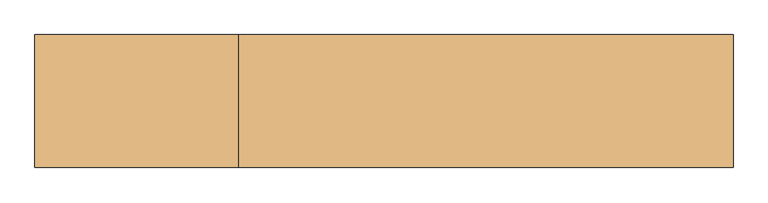
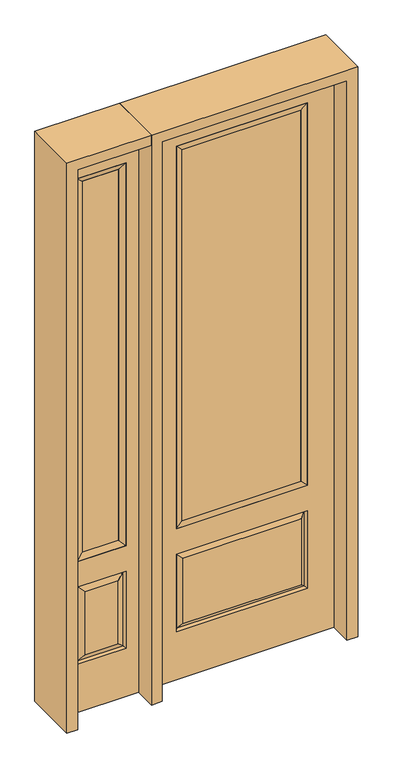
"""IFC4 building model written with IfcOpenShell, lengths in millimetres: door geometry."""

import ifcopenshell
import ifcopenshell.guid

model = None  # the IFC model being written
_history = None  # IfcOwnerHistory: only IFC2X3 demands one
_inside = {}  # id of a spatial element -> (the spatial element, [elements in it])
_under = {}  # id of a project, library or spatial element -> (it, [spatial elements below it])
_declared = {}  # id of a project -> (the project, [libraries it declares])
_typed = {}  # id of a type object -> (the type object, [elements of that type])
_made_of = {}  # id of a material, layer set ... -> (it, [elements and type objects made of it])


def new_model(schema):
    """Start an empty IFC model of exactly this schema.

    Asked for "IFC4X3", IfcOpenShell would pick the latest addendum, in which some entities
    have other attributes; the version numbers below select the first issue.
    IFC2X3 requires an IfcOwnerHistory on every rooted entity: one is made here for all.
    """
    global model, _history
    if schema == "IFC4X3":
        model = ifcopenshell.file(schema_version=(4, 3, 0, 0))
    else:
        model = ifcopenshell.file(schema=schema)
    _inside.clear()
    _under.clear()
    _declared.clear()
    _typed.clear()
    _made_of.clear()
    _history = None
    if model.schema == "IFC2X3":
        org = make("IfcOrganization", Name="unknown")
        user = make(
            "IfcPersonAndOrganization",
            ThePerson=make("IfcPerson", FamilyName="unknown"),
            TheOrganization=org,
        )
        app = make(
            "IfcApplication",
            ApplicationDeveloper=org,
            Version="unknown",
            ApplicationFullName="unknown",
            ApplicationIdentifier="unknown",
        )
        _history = make(
            "IfcOwnerHistory",
            OwningUser=user,
            OwningApplication=app,
            ChangeAction="ADDED",
            CreationDate=0,
        )
    return model


def make(cls, **values):
    """One entity of the class cls with the attributes given. An attribute that is None is left unset."""
    return model.create_entity(
        cls, **{name: value for name, value in values.items() if value is not None}
    )


def rooted(cls, **values):
    """An entity with a GlobalId (a new one), such as an element, a storey or a relation."""
    return make(cls, GlobalId=ifcopenshell.guid.new(), OwnerHistory=_history, **values)


def si_unit(unit_type, name, prefix=None):
    """IfcSIUnit, for example si_unit("LENGTHUNIT", "METRE", prefix="MILLI")."""
    return make("IfcSIUnit", UnitType=unit_type, Prefix=prefix, Name=name)


def assignment(units):
    """IfcUnitAssignment: the units of a project."""
    return None if units is None else make("IfcUnitAssignment", Units=units)


def point(xyz):
    """IfcCartesianPoint."""
    return None if xyz is None else make("IfcCartesianPoint", Coordinates=xyz)


def direction(xyz):
    """IfcDirection."""
    return None if xyz is None else make("IfcDirection", DirectionRatios=xyz)


def frame(location, z_axis=None, x_axis=None):
    """IfcAxis2Placement3D, a coordinate frame: its origin and axes. An axis left out is left unset."""
    return make(
        "IfcAxis2Placement3D",
        Location=point(location),
        Axis=direction(z_axis),
        RefDirection=direction(x_axis),
    )


def origin():
    """The frame at (0, 0, 0) with its axes left unset."""
    return frame((0.0, 0.0, 0.0))


def place(relative_to, where):
    """IfcLocalPlacement: puts the frame where relative to a parent placement (None: the world)."""
    return make(
        "IfcLocalPlacement", PlacementRelTo=relative_to, RelativePlacement=where
    )


def context(
    kind, dimensions, precision=None, world=None, true_north=None, identifier=None
):
    """IfcGeometricRepresentationContext, for example the 3D "Model" context."""
    return make(
        "IfcGeometricRepresentationContext",
        ContextIdentifier=identifier,
        ContextType=kind,
        CoordinateSpaceDimension=dimensions,
        Precision=precision,
        WorldCoordinateSystem=world,
        TrueNorth=true_north,
    )


def project(units=None, contexts=None):
    """IfcProject with its units and contexts."""
    return rooted(
        "IfcProject",
        Name="project",
        RepresentationContexts=contexts,
        UnitsInContext=assignment(units),
    )


def spatial(cls, under=None, at=None, **own):
    """A site, building, storey or space (cls), placed at a placement, below another one or the project."""
    s = rooted(cls, ObjectPlacement=at, **own)
    if under is not None:
        _under.setdefault(under.id(), (under, []))[1].append(s)
    return s


def polyline(points):
    """IfcPolyline through the points."""
    return make("IfcPolyline", Points=[point(p) for p in points])


def outline(outer, holes=None, kind="AREA"):
    """IfcArbitraryClosedProfileDef: a profile drawn as a closed curve; with holes, ...WithVoids."""
    if holes is None:
        return make("IfcArbitraryClosedProfileDef", ProfileType=kind, OuterCurve=outer)
    return make(
        "IfcArbitraryProfileDefWithVoids",
        ProfileType=kind,
        OuterCurve=outer,
        InnerCurves=holes,
    )


def extrude(swept, where, along, depth):
    """IfcExtrudedAreaSolid: the profile swept, set in the frame where, extruded along a direction by depth."""
    return make(
        "IfcExtrudedAreaSolid",
        SweptArea=swept,
        Position=where,
        ExtrudedDirection=direction(along),
        Depth=depth,
    )


def faces_of(points, faces, orient=None, outer=None):
    """IfcFace entities. A face is a list of loops; a loop is a list of indices into points, from 0.

    orient and outer hold one flag for each loop. By default every Orientation is true, the
    first loop of a face is its IfcFaceOuterBound and the others are IfcFaceBound.
    """
    made = []
    for i, loops in enumerate(faces):
        bounds = []
        for j, loop in enumerate(loops):
            is_outer = j == 0 if outer is None else outer[i][j]
            bounds.append(
                make(
                    "IfcFaceOuterBound" if is_outer else "IfcFaceBound",
                    Bound=make("IfcPolyLoop", Polygon=[points[k] for k in loop]),
                    Orientation=True if orient is None else orient[i][j],
                )
            )
        made.append(make("IfcFace", Bounds=bounds))
    return made


def faceted_brep(points, faces, orient=None, outer=None, voids=None):
    """IfcFacetedBrep: a solid bounded by flat faces; with voids (closed shells), ...WithVoids."""
    shared = [point(p) for p in points]
    hull = make("IfcClosedShell", CfsFaces=faces_of(shared, faces, orient, outer))
    if voids is None:
        return make("IfcFacetedBrep", Outer=hull)
    return make(
        "IfcFacetedBrepWithVoids",
        Outer=hull,
        Voids=[
            make(cls, CfsFaces=faces_of(shared, fs, o, b)) for cls, fs, o, b in voids
        ],
    )


def shape(context_of_items, identifier, shape_type, items):
    """IfcShapeRepresentation: the items that make up one representation, for example the "Body"."""
    return make(
        "IfcShapeRepresentation",
        ContextOfItems=context_of_items,
        RepresentationIdentifier=identifier,
        RepresentationType=shape_type,
        Items=items,
    )


def source(mapping_origin, context_of_items, identifier, shape_type, items):
    """IfcRepresentationMap: a shape defined once, which mapped items show again and again."""
    return make(
        "IfcRepresentationMap",
        MappingOrigin=mapping_origin,
        MappedRepresentation=shape(context_of_items, identifier, shape_type, items),
    )


def transform(
    local_origin,
    x_axis=None,
    y_axis=None,
    z_axis=None,
    scale=None,
    scale2=None,
    scale3=None,
    uniform=True,
):
    """IfcCartesianTransformationOperator3D, or its non-uniform kind. x_axis, y_axis, z_axis: its Axis1, 2, 3."""
    if uniform:
        return make(
            "IfcCartesianTransformationOperator3D",
            Axis1=direction(x_axis),
            Axis2=direction(y_axis),
            LocalOrigin=point(local_origin),
            Scale=scale,
            Axis3=direction(z_axis),
        )
    return make(
        "IfcCartesianTransformationOperator3DnonUniform",
        Axis1=direction(x_axis),
        Axis2=direction(y_axis),
        LocalOrigin=point(local_origin),
        Scale=scale,
        Axis3=direction(z_axis),
        Scale2=scale2,
        Scale3=scale3,
    )


def mapped(mapping_source, mapping_target):
    """IfcMappedItem: shows the shape of a source again, moved by a transform."""
    return make(
        "IfcMappedItem", MappingSource=mapping_source, MappingTarget=mapping_target
    )


def made_of(thing, what):
    """Note that an element or type object is made of a material, layer set ...; save() writes the relation."""
    if what is not None:
        _made_of.setdefault(what.id(), (what, []))[1].append(thing)
    return thing


def element(
    cls,
    number,
    at=None,
    inside=None,
    cuts=None,
    type_object=None,
    material=None,
    context=None,
    identifier="Body",
    shape_type=None,
    held_by="IfcProductDefinitionShape",
    body=None,
    shapes=None,
    **own,
):
    """One element of the class cls, such as IfcWall. Its Tag is "e" and its number.

    at: its placement. inside: the storey or other place that contains it. cuts: it is an
    opening in that element (IfcRelVoidsElement). A single representation is given by context,
    identifier, shape_type and body (its items); several are given by shapes. held_by: the class
    of the entity that holds the representations. save() writes the other relations.
    """
    e = rooted(cls, Tag="e%d" % number, ObjectPlacement=at, **own)
    if body is not None:
        shapes = [shape(context, identifier, shape_type, body)]
    if shapes is not None:
        e.Representation = make(held_by, Representations=shapes)
    if inside is not None:
        _inside.setdefault(inside.id(), (inside, []))[1].append(e)
    if cuts is not None:
        rooted(
            "IfcRelVoidsElement", RelatingBuildingElement=cuts, RelatedOpeningElement=e
        )
    if type_object is not None:
        _typed.setdefault(type_object.id(), (type_object, []))[1].append(e)
    return made_of(e, material)


def aggregate(whole, parts):
    """IfcRelAggregates: a whole, such as a stair, and the parts it consists of."""
    return rooted("IfcRelAggregates", RelatingObject=whole, RelatedObjects=parts)


def save(model, path):
    """Write the relations noted so far, then the file.

    IfcRelAggregates (storeys below a building ...), IfcRelContainedInSpatialStructure (elements
    in a storey), IfcRelDefinesByType, IfcRelAssociatesMaterial and IfcRelDeclares: one each for
    every whole, place, type object, material and project.
    """
    for whole, parts in _under.values():
        aggregate(whole, parts)
    for where, things in _inside.values():
        rooted(
            "IfcRelContainedInSpatialStructure",
            RelatedElements=things,
            RelatingStructure=where,
        )
    for kind, things in _typed.values():
        rooted("IfcRelDefinesByType", RelatedObjects=things, RelatingType=kind)
    for what, things in _made_of.values():
        rooted("IfcRelAssociatesMaterial", RelatedObjects=things, RelatingMaterial=what)
    for by, libraries in _declared.values():
        rooted("IfcRelDeclares", RelatingContext=by, RelatedDefinitions=libraries)
    model.write(path)


def door_fc00e250(model_context):
    return source(origin(), model_context, "Body", "SolidModel", [
        faceted_brep([(-730.25, -22.225, 0.0), (-425.45, -22.225, 0.0), (-425.45, -22.225, 2438.4), (-730.25, -22.225, 2438.4), (-477.52, -22.225, 2325.624), (-477.52, -22.225, 657.098), (-678.18, -22.225, 657.098), (-678.18, -22.225, 2325.624), (-477.52, -22.225, 209.55), (-678.18, -22.225, 209.55), (-678.18, -22.225, 546.1), (-477.52, -22.225, 546.1), (-646.4648999, -22.225, 241.2651001), (-509.2351001, -22.225, 241.2651001), (-509.2351001, -22.225, 514.3848999), (-646.4648999, -22.225, 514.3848999), (-730.25, 22.225, 0.0), (-730.25, 22.225, 2438.4), (-425.45, 22.225, 2438.4), (-425.45, 22.225, 0.0), (-477.52, 22.225, 2325.624), (-678.18, 22.225, 2325.624), (-678.18, 22.225, 657.098), (-477.52, 22.225, 657.098), (-678.18, 22.225, 209.55), (-477.52, 22.225, 209.55), (-477.52, 22.225, 546.1), (-678.18, 22.225, 546.1), (-509.2351001, 22.225, 241.2651001), (-646.4648999, 22.225, 241.2651001), (-646.4648999, 22.225, 514.3848999), (-509.2351001, 22.225, 514.3848999), (-484.6288501, 12.7912373, 216.6588501), (-671.0711499, 12.7912373, 216.6588501), (-671.0711499, 12.7912373, 538.9911499), (-484.6288501, 12.7912373, 538.9911499), (-671.0711499, -12.7912373, 216.6588501), (-484.6288501, -12.7912373, 216.6588501), (-671.0711499, -12.7912373, 538.9911499), (-484.6288501, -12.7912373, 538.9911499)], [[[0, 1, 2, 3], [4, 5, 6, 7], [8, 9, 10, 11]], [[12, 13, 14, 15]], [[16, 17, 18, 19], [20, 21, 22, 23], [24, 25, 26, 27]], [[28, 29, 30, 31]], [[1, 0, 16, 19]], [[2, 1, 19, 18]], [[3, 2, 18, 17]], [[0, 3, 17, 16]], [[5, 4, 20, 23]], [[6, 5, 23, 22]], [[7, 6, 22, 21]], [[4, 7, 21, 20]], [[32, 33, 29, 28]], [[33, 32, 25, 24]], [[29, 33, 34, 30]], [[33, 24, 27, 34]], [[30, 34, 35, 31]], [[34, 27, 26, 35]], [[32, 28, 31, 35]], [[25, 32, 35, 26]], [[12, 36, 37, 13]], [[37, 36, 9, 8]], [[36, 12, 15, 38]], [[9, 36, 38, 10]], [[38, 15, 14, 39]], [[10, 38, 39, 11]], [[13, 37, 39, 14]], [[37, 8, 11, 39]]]),
        faceted_brep([(-678.18, 22.225, 2325.624), (-678.18, -22.225, 2325.624), (-477.52, -22.225, 2325.624), (-477.52, 22.225, 2325.624), (-652.78, 12.7, 2300.224), (-502.92, 12.7, 2300.224), (-652.78, -12.7, 2300.224), (-502.92, -12.7, 2300.224), (-477.52, -22.225, 657.098), (-477.52, 22.225, 657.098), (-502.92, 12.7, 682.498), (-502.92, -12.7, 682.498), (-678.18, -22.225, 657.098), (-678.18, 22.225, 657.098), (-652.78, 12.7, 682.498), (-652.78, -12.7, 682.498)], [[[0, 1, 2, 3]], [[4, 0, 3, 5]], [[6, 4, 5, 7]], [[1, 6, 7, 2]], [[3, 2, 8, 9]], [[5, 3, 9, 10]], [[7, 5, 10, 11]], [[2, 7, 11, 8]], [[9, 8, 12, 13]], [[10, 9, 13, 14]], [[11, 10, 14, 15]], [[8, 11, 15, 12]], [[13, 12, 1, 0]], [[14, 13, 0, 4]], [[15, 14, 4, 6]], [[12, 15, 6, 1]]]),
        extrude(outline(polyline([(-502.92, -12.7), (-652.78, -12.7), (-652.78, 12.7), (-502.92, 12.7), (-502.92, -12.7)])), frame((0.0, 0.0, 682.498), z_axis=(0.0, 0.0, 1.0), x_axis=(1.0, 0.0, 0.0)), (0.0, 0.0, 1.0), 1617.726),
        extrude(outline(polyline([(244.475, -20.32), (-244.475, -20.32), (-244.475, 5.08), (244.475, 5.08), (244.475, -20.32)])), frame((0.0, 0.0, 682.498), z_axis=(0.0, 0.0, 1.0), x_axis=(1.0, 0.0, 0.0)), (0.0, 0.0, 1.0), 1616.202),
        faceted_brep([(-262.7661499, -12.7912373, 216.6588501), (262.7661499, -12.7912373, 216.6588501), (245.26875, -22.225, 234.15625), (-245.26875, -22.225, 234.15625), (-269.875, -22.225, 209.55), (269.875, -22.225, 209.55), (-262.7661499, -12.7912373, 538.9911499), (-269.875, -22.225, 546.1), (245.26875, -22.225, 521.49375), (-245.26875, -22.225, 521.49375), (381.0, -22.225, 2438.4), (-381.0, -22.225, 2438.4), (-381.0, -22.225, 0.0), (381.0, -22.225, 0.0), (269.875, -22.225, 546.1), (269.875, -22.225, 2324.1), (269.875, -22.225, 657.098), (-269.875, -22.225, 657.098), (-269.875, -22.225, 2324.1), (262.7661499, -12.7912373, 538.9911499), (-381.0, 22.225, 2438.4), (-381.0, 22.225, 0.0), (381.0, 22.225, 0.0), (381.0, 22.225, 2438.4), (269.875, 22.225, 2324.1), (269.875, 22.225, 657.098), (-269.875, 22.225, 657.098), (-269.875, 22.225, 2324.1), (-269.875, 22.225, 209.55), (269.875, 22.225, 209.55), (269.875, 22.225, 546.1), (-269.875, 22.225, 546.1), (245.26875, 22.225, 234.15625), (-245.26875, 22.225, 234.15625), (-245.26875, 22.225, 521.49375), (245.26875, 22.225, 521.49375), (-262.7661499, 12.7912373, 216.6588501), (262.7661499, 12.7912373, 216.6588501), (262.7661499, 12.7912373, 538.9911499), (-262.7661499, 12.7912373, 538.9911499)], [[[0, 1, 2, 3]], [[1, 0, 4, 5]], [[4, 0, 6, 7]], [[3, 2, 8, 9]], [[10, 11, 12, 13], [5, 4, 7, 14], [15, 16, 17, 18]], [[1, 5, 14, 19]], [[2, 1, 19, 8]], [[0, 3, 9, 6]], [[7, 6, 19, 14]], [[6, 9, 8, 19]], [[12, 11, 20, 21]], [[13, 12, 21, 22]], [[10, 13, 22, 23]], [[16, 15, 24, 25]], [[17, 16, 25, 26]], [[18, 17, 26, 27]], [[23, 22, 21, 20], [28, 29, 30, 31], [24, 27, 26, 25]], [[32, 33, 34, 35]], [[28, 36, 37, 29]], [[29, 37, 38, 30]], [[39, 31, 30, 38]], [[36, 28, 31, 39]], [[37, 36, 33, 32]], [[33, 36, 39, 34]], [[34, 39, 38, 35]], [[37, 32, 35, 38]], [[11, 10, 23, 20]], [[15, 18, 27, 24]]]),
        faceted_brep([(-269.875, -22.225, 2324.1), (-269.875, 22.225, 2324.1), (-269.875, 22.225, 657.098), (-269.875, -22.225, 657.098), (269.875, 22.225, 657.098), (269.875, -22.225, 657.098), (-244.475, 5.08, 682.498), (244.475, 5.08, 682.498), (269.875, 22.225, 2324.1), (269.875, -22.225, 2324.1), (-244.475, -20.32, 682.498), (244.475, -20.32, 682.498), (-244.475, -20.32, 2298.7), (244.475, -20.32, 2298.7), (-244.475, 5.08, 2298.7), (244.475, 5.08, 2298.7)], [[[0, 1, 2, 3]], [[3, 2, 4, 5]], [[2, 6, 7, 4]], [[5, 4, 8, 9]], [[10, 3, 5, 11]], [[12, 0, 3, 10]], [[11, 5, 9, 13]], [[6, 10, 11, 7]], [[14, 12, 10, 6]], [[7, 11, 13, 15]], [[1, 14, 6, 2]], [[4, 7, 15, 8]], [[9, 8, 1, 0]], [[13, 9, 0, 12]], [[15, 13, 12, 14]], [[8, 15, 14, 1]]]),
        extrude(outline(polyline([(2438.4, -425.45), (2482.85, -425.45), (2482.85, -774.7), (0.0, -774.7), (0.0, -730.25), (2438.4, -730.25), (2438.4, -425.45)])), frame((0.0, -114.3, 0.0), z_axis=(0.0, 1.0, 0.0), x_axis=(0.0, 0.0, 1.0)), (0.0, 0.0, 1.0), 228.6),
        extrude(outline(polyline([(2482.85, -425.45), (0.0, -425.45), (0.0, -381.0), (2438.4, -381.0), (2438.4, 381.0), (0.0, 381.0), (0.0, 425.45), (2482.85, 425.45), (2482.85, -425.45)])), frame((0.0, -114.3, 0.0), z_axis=(0.0, 1.0, 0.0), x_axis=(0.0, 0.0, 1.0)), (0.0, 0.0, 1.0), 228.6),
    ])


if __name__ == "__main__":
    model = new_model("IFC4")
    model_context = context("Model", 3, world=origin())
    ifc_project = project(units=[si_unit("LENGTHUNIT", "METRE", prefix="MILLI")], contexts=[model_context])
    site = spatial("IfcSite", under=ifc_project)
    building = spatial("IfcBuilding", under=site)
    placement = place(None, origin())
    door_shape = door_fc00e250(model_context)
    element("IfcDoor", 1, at=placement, inside=building, context=model_context, shape_type="MappedRepresentation", body=[
        mapped(door_shape, transform((0.0, 0.0, 0.0), x_axis=(1.0, 0.0, 0.0), y_axis=(0.0, 1.0, 0.0), z_axis=(0.0, 0.0, 1.0))),
    ])
    save(model, "model.ifc")
